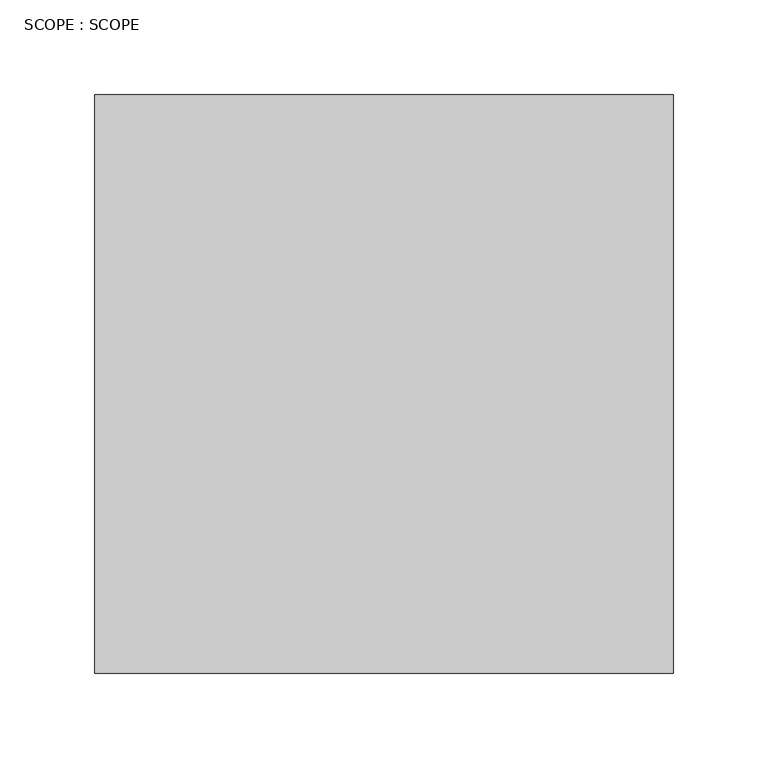
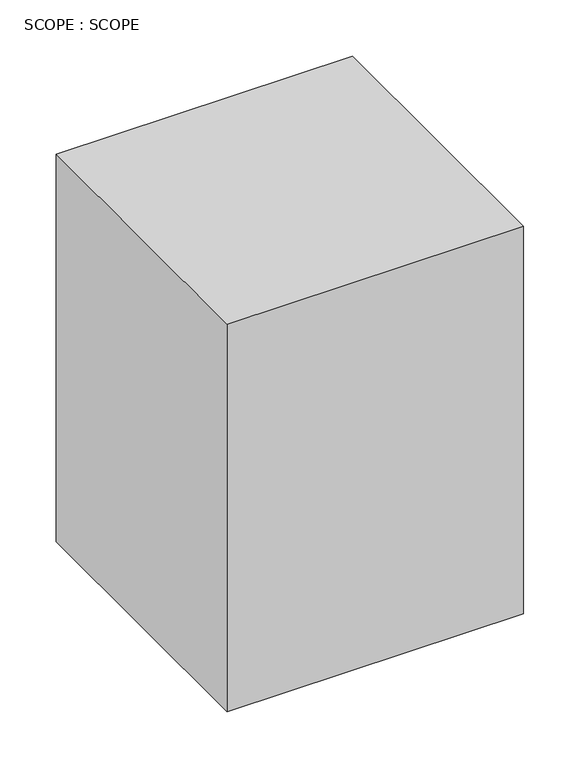
"""IFC4 building model written with IfcOpenShell, lengths in millimetres: proxy geometry, SCOPE : SCOPE."""

from ifc_helpers import new_model, si_unit, frame, origin, place, context, project, spatial, polyline, outline, extrude, source, transform, mapped, element, save


def scope_scope_b25548cd(model_context):
    return source(origin(), model_context, "Body", "SweptSolid", [
        extrude(outline(polyline([(152.4, -76.2), (-152.4, -76.2), (-152.4, 228.6), (152.4, 228.6), (152.4, -76.2)])), frame((0.0, 0.0, 762.0), z_axis=(0.0, 0.0, 1.0), x_axis=(1.0, 0.0, 0.0)), (0.0, 0.0, 1.0), 421.0207954),
    ])


if __name__ == "__main__":
    model = new_model("IFC4")
    model_context = context("Model", 3, world=origin())
    ifc_project = project(units=[si_unit("LENGTHUNIT", "METRE", prefix="MILLI")], contexts=[model_context])
    site = spatial("IfcSite", under=ifc_project)
    building = spatial("IfcBuilding", under=site)
    placement = place(None, origin())
    scope_scope_shape = scope_scope_b25548cd(model_context)
    element("IfcBuildingElementProxy", 1, Name="SCOPE : SCOPE", ObjectType="SCOPE : SCOPE", at=placement, inside=building, context=model_context, shape_type="MappedRepresentation", body=[
        mapped(scope_scope_shape, transform((0.0, 0.0, 0.0), x_axis=(1.0, 0.0, 0.0), y_axis=(0.0, 1.0, 0.0), z_axis=(0.0, 0.0, 1.0))),
    ])
    save(model, "model.ifc")
